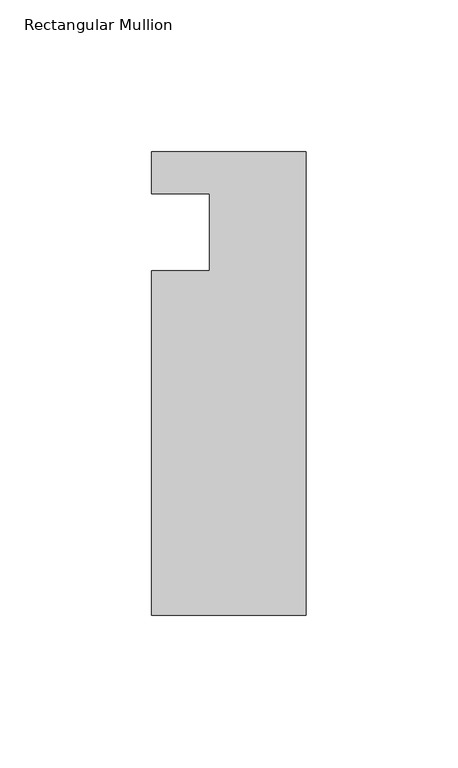
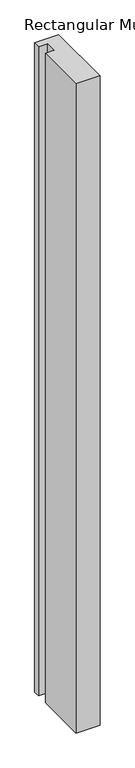
"""IFC4 building model written with IfcOpenShell, lengths in millimetres: member geometry, Rectangular Mullion."""

from ifc_helpers import new_model, si_unit, frame, origin, place, context, project, spatial, polyline, outline, extrude, source, transform, mapped, element, save


def rectangular_mullion_2c1cdd18(model_context):
    return source(origin(), model_context, "Body", "SweptSolid", [
        extrude(outline(polyline([(-50.8, 13.6728928), (0.0, 13.6728928), (0.0, -138.7271072), (-50.8, -138.7271072), (-50.8, -25.4), (-31.75, -25.4), (-31.75, 0.0), (-50.8, 0.0), (-50.8, 13.6728928)])), frame((0.0, 0.0, -1460.5), z_axis=(0.0, 0.0, 1.0), x_axis=(1.0, 0.0, 0.0)), (0.0, 0.0, 1.0), 1460.5),
    ])


if __name__ == "__main__":
    model = new_model("IFC4")
    model_context = context("Model", 3, world=origin())
    ifc_project = project(units=[si_unit("LENGTHUNIT", "METRE", prefix="MILLI")], contexts=[model_context])
    site = spatial("IfcSite", under=ifc_project)
    building = spatial("IfcBuilding", under=site)
    placement = place(None, origin())
    rectangular_mullion_shape = rectangular_mullion_2c1cdd18(model_context)
    element("IfcMember", 1, ObjectType="Rectangular Mullion", at=placement, inside=building, context=model_context, shape_type="MappedRepresentation", body=[
        mapped(rectangular_mullion_shape, transform((0.0, 0.0, 0.0), x_axis=(1.0, 0.0, 0.0), y_axis=(0.0, 1.0, 0.0), z_axis=(0.0, 0.0, 1.0))),
    ])
    save(model, "model.ifc")
